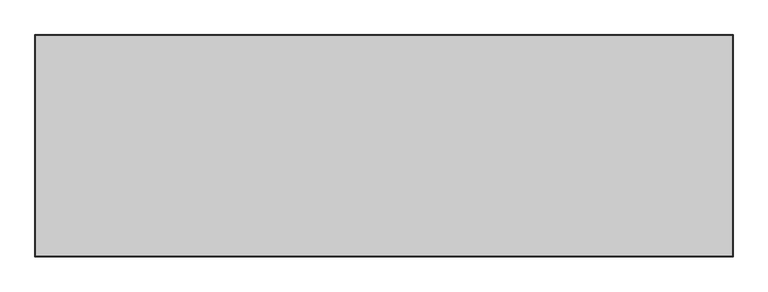
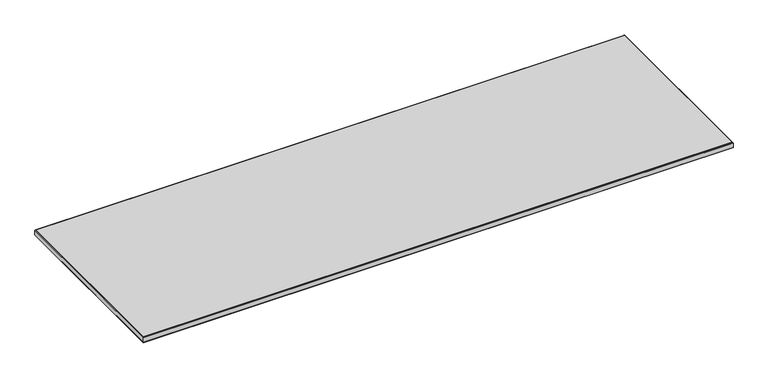
"""IFC4 building model written with IfcOpenShell, lengths in millimetres: furniture geometry."""

from ifc_helpers import new_model, si_unit, frame, origin, place, context, project, spatial, polyline, outline, extrude, faceted_brep, source, transform, mapped, element, save


def furniture_8f05f5cb(model_context):
    return source(origin(), model_context, "Body", "SolidModel", [
        faceted_brep([(1.999996, -824.6684132, 711.1999758), (1.999996, -824.6684132, 735.200037), (2435.1045616, -824.6684132, 735.200037), (2435.1045616, -824.6684132, 711.1999758), (0.5857824, -826.0826267, 711.7857685), (2436.5187752, -826.0826267, 711.7857685), (0.0, -826.6684092, 713.1999894), (2437.1045576, -826.6684092, 713.1999894), (0.0, -826.6684092, 733.2000234), (2437.1045576, -826.6684092, 733.2000234), (0.5857824, -826.0826267, 734.6142443), (2436.5187752, -826.0826267, 734.6142443), (2435.1045616, -52.9523956, 735.200037), (2435.1045616, -52.9523956, 711.1999758), (2436.5187752, -51.538182, 711.7857685), (2437.1045576, -50.9523996, 713.1999894), (2437.1045576, -50.9523996, 733.2000234), (2436.5187752, -51.538182, 734.6142443), (1.999996, -52.9523956, 735.200037), (1.999996, -52.9523956, 711.1999758), (0.5857824, -51.538182, 711.7857685), (0.0, -50.9523996, 713.1999894), (0.0, -50.9523996, 733.2000234), (0.5857824, -51.538182, 734.6142443)], [[[0, 1, 2, 3]], [[4, 0, 3, 5]], [[6, 4, 5, 7]], [[8, 6, 7, 9]], [[10, 8, 9, 11]], [[1, 10, 11, 2]], [[3, 2, 12, 13]], [[5, 3, 13, 14]], [[7, 5, 14, 15]], [[9, 7, 15, 16]], [[11, 9, 16, 17]], [[2, 11, 17, 12]], [[13, 12, 18, 19]], [[14, 13, 19, 20]], [[15, 14, 20, 21]], [[16, 15, 21, 22]], [[17, 16, 22, 23]], [[12, 17, 23, 18]], [[19, 18, 1, 0]], [[20, 19, 0, 4]], [[21, 20, 4, 6]], [[22, 21, 6, 8]], [[23, 22, 8, 10]], [[18, 23, 10, 1]]]),
        extrude(outline(polyline([(1.999996, -52.9523956), (2435.1045616, -52.9523956), (2435.1045616, -824.6684132), (1.999996, -824.6684132), (1.999996, -52.9523956)])), frame((0.0, 0.0, 711.1999758), z_axis=(0.0, 0.0, 1.0), x_axis=(1.0, 0.0, 0.0)), (0.0, 0.0, 1.0), 24.003),
    ])


if __name__ == "__main__":
    model = new_model("IFC4")
    model_context = context("Model", 3, world=origin())
    ifc_project = project(units=[si_unit("LENGTHUNIT", "METRE", prefix="MILLI")], contexts=[model_context])
    site = spatial("IfcSite", under=ifc_project)
    building = spatial("IfcBuilding", under=site)
    placement = place(None, origin())
    furniture_shape = furniture_8f05f5cb(model_context)
    element("IfcFurniture", 1, at=placement, inside=building, context=model_context, shape_type="MappedRepresentation", body=[
        mapped(furniture_shape, transform((0.0, 0.0, 0.0), x_axis=(1.0, 0.0, 0.0), y_axis=(0.0, 1.0, 0.0), z_axis=(0.0, 0.0, 1.0))),
    ])
    save(model, "model.ifc")
